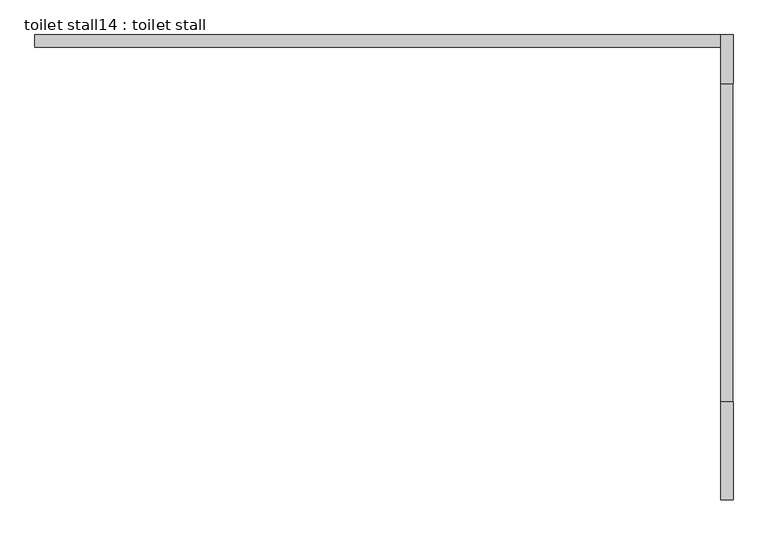
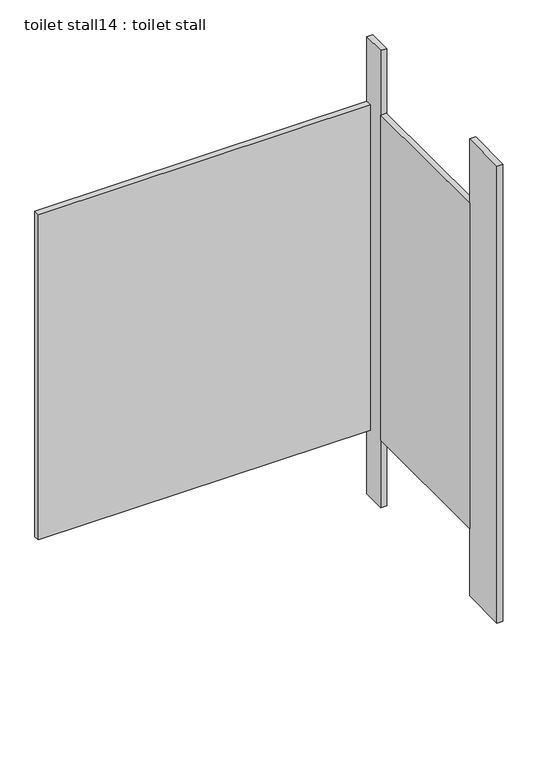
"""IFC4 building model written with IfcOpenShell, lengths in millimetres: proxy geometry, toilet stall14 : toilet stall."""

from ifc_helpers import new_model, si_unit, frame, origin, origin_with_axes, place, context, project, spatial, polyline, outline, extrude, source, transform, mapped, element, save


def toilet_stall14_toilet_stall_08e04141(model_context):
    return source(origin(), model_context, "Body", "SweptSolid", [
        extrude(outline(polyline([(461255.8504676, -333931.4330223), (461281.2504676, -333931.4330223), (461281.2504676, -334134.6330223), (461255.8504676, -334134.6330223), (461255.8504676, -333931.4330223)])), origin_with_axes(), (0.0, 0.0, 1.0), 2070.1),
        extrude(outline(polyline([(461255.8504676, -333169.4330223), (461281.2504676, -333169.4330223), (461281.2504676, -333271.0330223), (461255.8504676, -333271.0330223), (461255.8504676, -333169.4330223)])), origin_with_axes(), (0.0, 0.0, 1.0), 2070.1),
        extrude(outline(polyline([(461255.8504676, -333169.4330223), (461255.8504676, -333194.8330223), (459833.4504676, -333194.8330223), (459833.4504676, -333169.4330223), (461255.8504676, -333169.4330223)])), frame((0.0, 0.0, 304.8), z_axis=(0.0, 0.0, 1.0), x_axis=(1.0, 0.0, 0.0)), (0.0, 0.0, 1.0), 1473.2),
        extrude(outline(polyline([(461280.782287, -333271.0330223), (461280.782287, -333931.4330223), (461255.382287, -333931.4330223), (461255.382287, -333271.0330223), (461280.782287, -333271.0330223)])), frame((0.0, 0.0, 304.8), z_axis=(0.0, 0.0, 1.0), x_axis=(1.0, 0.0, 0.0)), (0.0, 0.0, 1.0), 1473.2),
    ])


if __name__ == "__main__":
    model = new_model("IFC4")
    model_context = context("Model", 3, world=origin())
    ifc_project = project(units=[si_unit("LENGTHUNIT", "METRE", prefix="MILLI")], contexts=[model_context])
    site = spatial("IfcSite", under=ifc_project)
    building = spatial("IfcBuilding", under=site)
    placement = place(None, origin())
    toilet_stall14_toilet_stall_shape = toilet_stall14_toilet_stall_08e04141(model_context)
    element("IfcBuildingElementProxy", 1, Name="toilet stall14 : toilet stall", ObjectType="toilet stall14 : toilet stall", at=placement, inside=building, context=model_context, shape_type="MappedRepresentation", body=[
        mapped(toilet_stall14_toilet_stall_shape, transform((0.0, 0.0, 0.0), x_axis=(1.0, 0.0, 0.0), y_axis=(0.0, 1.0, 0.0), z_axis=(0.0, 0.0, 1.0))),
    ])
    save(model, "model.ifc")
